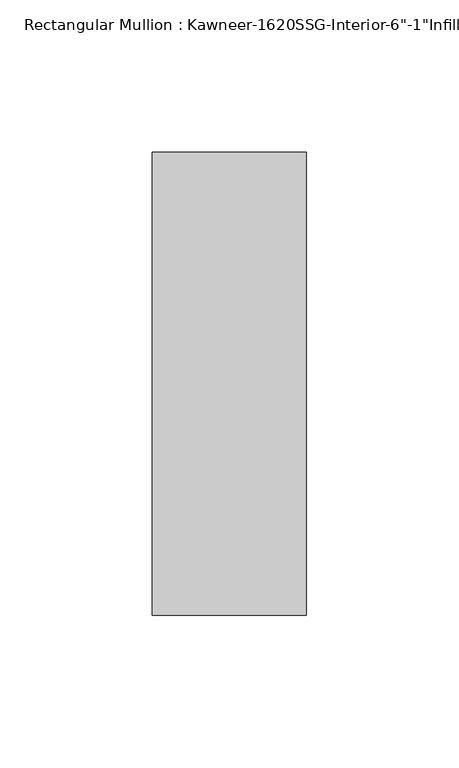
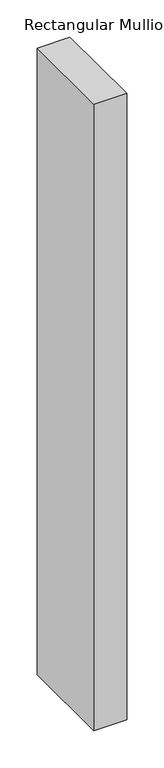
"""IFC4 building model written with IfcOpenShell, lengths in millimetres: member geometry."""

from ifc_helpers import new_model, si_unit, frame, origin, place, context, project, spatial, polyline, outline, extrude, source, transform, mapped, element, save


def member_eb1b6a6b(model_context):
    return source(origin(), model_context, "Body", "SweptSolid", [
        extrude(outline(polyline([(25.4, -114.3), (-25.4, -114.3), (-25.4, 38.1), (25.4, 38.1), (25.4, -114.3)])), frame((0.0, 0.0, -1028.7), z_axis=(0.0, 0.0, 1.0), x_axis=(1.0, 0.0, 0.0)), (0.0, 0.0, 1.0), 1028.7),
    ])


if __name__ == "__main__":
    model = new_model("IFC4")
    model_context = context("Model", 3, world=origin())
    ifc_project = project(units=[si_unit("LENGTHUNIT", "METRE", prefix="MILLI")], contexts=[model_context])
    site = spatial("IfcSite", under=ifc_project)
    building = spatial("IfcBuilding", under=site)
    placement = place(None, origin())
    member_shape = member_eb1b6a6b(model_context)
    element("IfcMember", 1, ObjectType="Rectangular Mullion : Kawneer-1620SSG-Interior-6\"-1\"Infill", at=placement, inside=building, context=model_context, shape_type="MappedRepresentation", body=[
        mapped(member_shape, transform((0.0, 0.0, 0.0), x_axis=(1.0, 0.0, 0.0), y_axis=(0.0, 1.0, 0.0), z_axis=(0.0, 0.0, 1.0))),
    ])
    save(model, "model.ifc")
